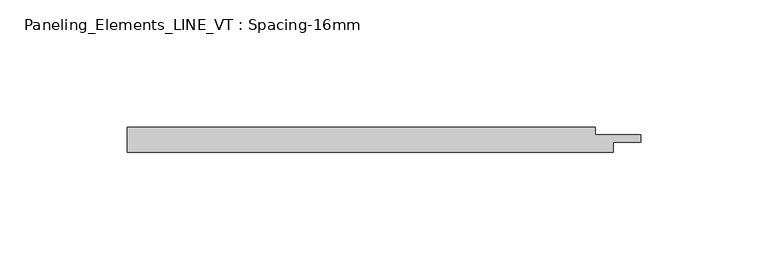
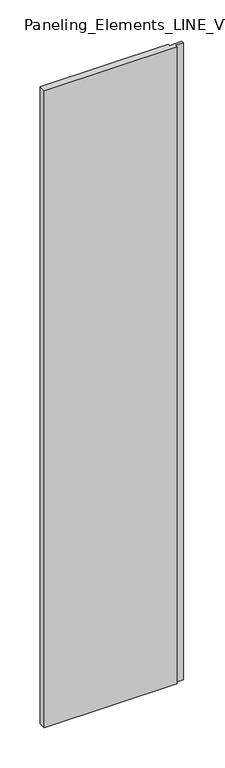
"""IFC4 building model written with IfcOpenShell, lengths in millimetres: plate geometry, Paneling_Elements_LINE_VT : Spacing-16mm."""

from ifc_helpers import new_model, si_unit, origin, origin_with_axes, place, context, project, spatial, polyline, outline, extrude, source, transform, mapped, element, save


def paneling_elements_line_vt_spacing_16mm_7866aa84(model_context):
    return source(origin(), model_context, "Body", "SweptSolid", [
        extrude(outline(polyline([(-95.65, -5.0), (-95.65, 5.0), (88.65, 5.0), (88.65, 2.0), (106.65, 2.0), (106.65, -1.0), (95.65, -1.0), (95.65, -5.0), (-95.65, -5.0)])), origin_with_axes(), (0.0, 0.0, 1.0), 966.8),
    ])


if __name__ == "__main__":
    model = new_model("IFC4")
    model_context = context("Model", 3, world=origin())
    ifc_project = project(units=[si_unit("LENGTHUNIT", "METRE", prefix="MILLI")], contexts=[model_context])
    site = spatial("IfcSite", under=ifc_project)
    building = spatial("IfcBuilding", under=site)
    placement = place(None, origin())
    paneling_elements_line_vt_spacing_16mm_shape = paneling_elements_line_vt_spacing_16mm_7866aa84(model_context)
    element("IfcPlate", 1, ObjectType="Paneling_Elements_LINE_VT : Spacing-16mm", at=placement, inside=building, context=model_context, shape_type="MappedRepresentation", body=[
        mapped(paneling_elements_line_vt_spacing_16mm_shape, transform((0.0, 0.0, 0.0), x_axis=(1.0, 0.0, 0.0), y_axis=(0.0, 1.0, 0.0), z_axis=(0.0, 0.0, 1.0))),
    ])
    save(model, "model.ifc")
